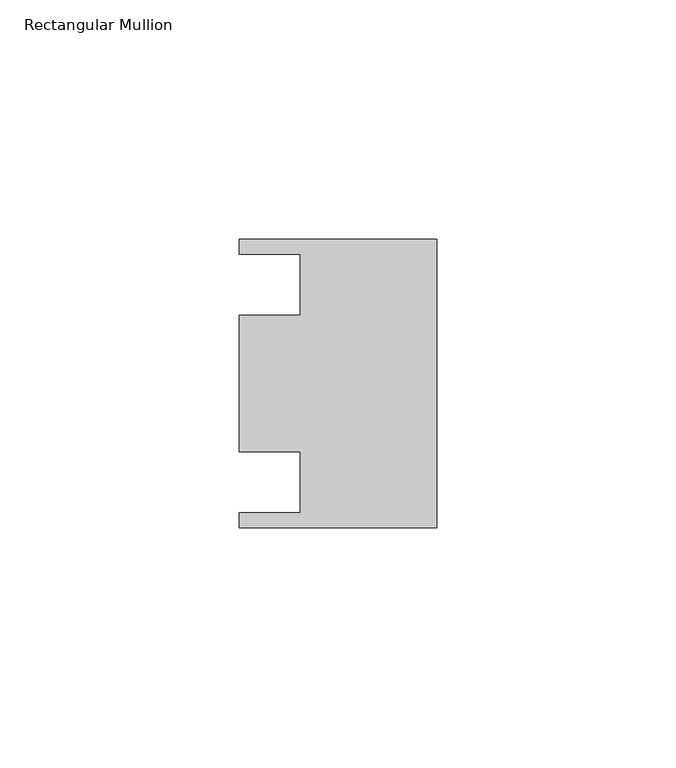
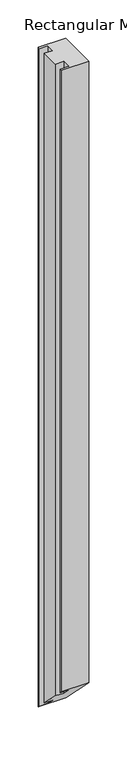
"""IFC4 building model written with IfcOpenShell, lengths in millimetres: member geometry, Rectangular Mullion."""

from ifc_helpers import new_model, si_unit, origin, place, context, project, spatial, faceted_brep, source, transform, mapped, element, save


def rectangular_mullion_34725a74(model_context):
    return source(origin(), model_context, "Body", "Brep", [
        faceted_brep([(0.0, 30.1625, 0.0), (-41.275, 30.1625, 0.0), (-41.275, 26.9875, 0.0), (-28.575, 26.9875, 0.0), (-28.575, 14.2875, 0.0), (-41.275, 14.2875, 0.0), (-41.275, -14.2875, 0.0), (-28.575, -14.2875, 0.0), (-28.575, -26.9875, 0.0), (-41.275, -26.9875, 0.0), (-41.275, -30.1625, 0.0), (0.0, -30.1625, 0.0), (0.0, 30.1625, -1052.5125), (-41.275, 30.1625, -1052.5125), (-41.275, 26.9875, -1049.3375), (-28.575, 26.9875, -1049.3375), (-28.575, 14.2875, -1036.6375), (-41.275, 14.2875, -1036.6375), (-41.275, -14.2875, -1008.0625), (-28.575, -14.2875, -1008.0625), (-28.575, -26.9875, -995.3625), (-41.275, -26.9875, -995.3625), (-41.275, -30.1625, -992.1875), (0.0, -30.1625, -992.1875)], [[[0, 1, 2, 3, 4, 5, 6, 7, 8, 9, 10, 11]], [[1, 0, 12, 13]], [[2, 1, 13, 14]], [[3, 2, 14, 15]], [[4, 3, 15, 16]], [[5, 4, 16, 17]], [[6, 5, 17, 18]], [[7, 6, 18, 19]], [[8, 7, 19, 20]], [[9, 8, 20, 21]], [[10, 9, 21, 22]], [[11, 10, 22, 23]], [[0, 11, 23, 12]], [[12, 23, 22, 21, 20, 19, 18, 17, 16, 15, 14, 13]]]),
    ])


if __name__ == "__main__":
    model = new_model("IFC4")
    model_context = context("Model", 3, world=origin())
    ifc_project = project(units=[si_unit("LENGTHUNIT", "METRE", prefix="MILLI")], contexts=[model_context])
    site = spatial("IfcSite", under=ifc_project)
    building = spatial("IfcBuilding", under=site)
    placement = place(None, origin())
    rectangular_mullion_shape = rectangular_mullion_34725a74(model_context)
    element("IfcMember", 1, ObjectType="Rectangular Mullion", at=placement, inside=building, context=model_context, shape_type="MappedRepresentation", body=[
        mapped(rectangular_mullion_shape, transform((0.0, 0.0, 0.0), x_axis=(1.0, 0.0, 0.0), y_axis=(0.0, 1.0, 0.0), z_axis=(0.0, 0.0, 1.0))),
    ])
    save(model, "model.ifc")
